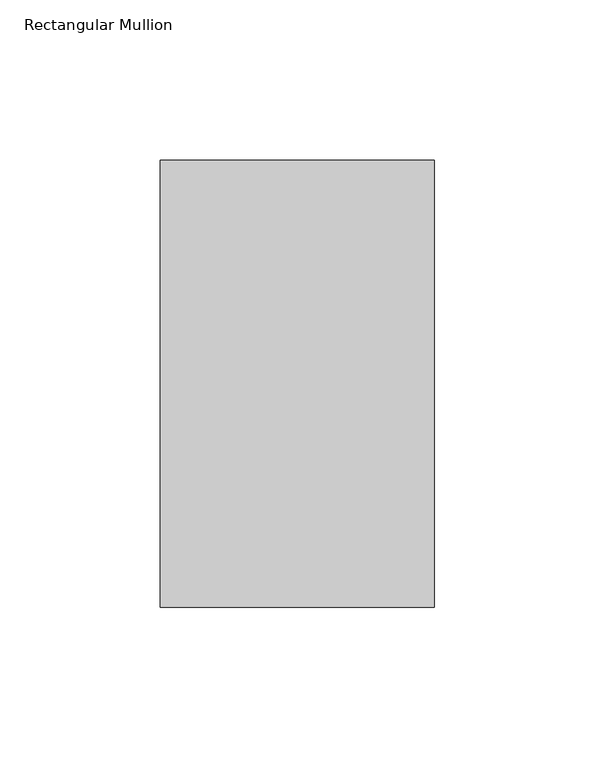
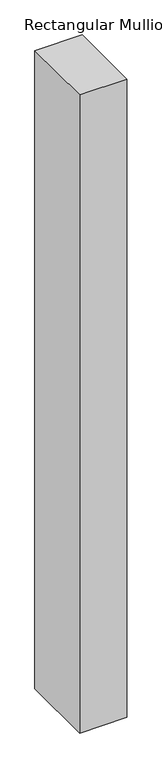
"""IFC4 building model written with IfcOpenShell, lengths in millimetres: member geometry, Rectangular Mullion."""

from ifc_helpers import new_model, si_unit, frame, origin, place, context, project, spatial, polyline, outline, extrude, source, transform, mapped, element, save


def rectangular_mullion_910af124(model_context):
    return source(origin(), model_context, "Body", "SweptSolid", [
        extrude(outline(polyline([(-85.725, 109.5375), (0.0, 109.5375), (0.0, -30.1625), (-85.725, -30.1625), (-85.725, 109.5375)])), frame((0.0, 0.0, -1219.2), z_axis=(0.0, 0.0, 1.0), x_axis=(1.0, 0.0, 0.0)), (0.0, 0.0, 1.0), 1219.2),
    ])


if __name__ == "__main__":
    model = new_model("IFC4")
    model_context = context("Model", 3, world=origin())
    ifc_project = project(units=[si_unit("LENGTHUNIT", "METRE", prefix="MILLI")], contexts=[model_context])
    site = spatial("IfcSite", under=ifc_project)
    building = spatial("IfcBuilding", under=site)
    placement = place(None, origin())
    rectangular_mullion_shape = rectangular_mullion_910af124(model_context)
    element("IfcMember", 1, ObjectType="Rectangular Mullion", at=placement, inside=building, context=model_context, shape_type="MappedRepresentation", body=[
        mapped(rectangular_mullion_shape, transform((0.0, 0.0, 0.0), x_axis=(1.0, 0.0, 0.0), y_axis=(0.0, 1.0, 0.0), z_axis=(0.0, 0.0, 1.0))),
    ])
    save(model, "model.ifc")
